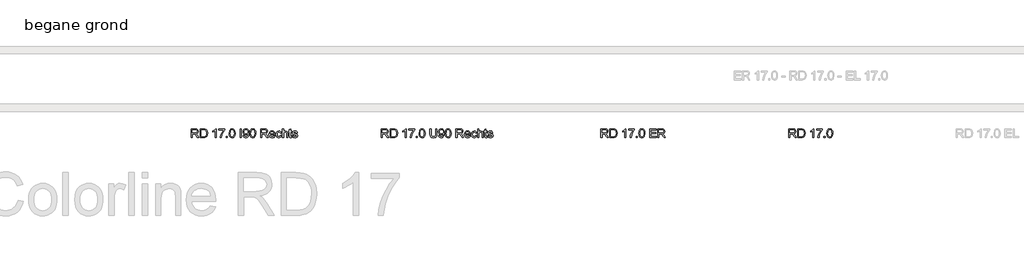
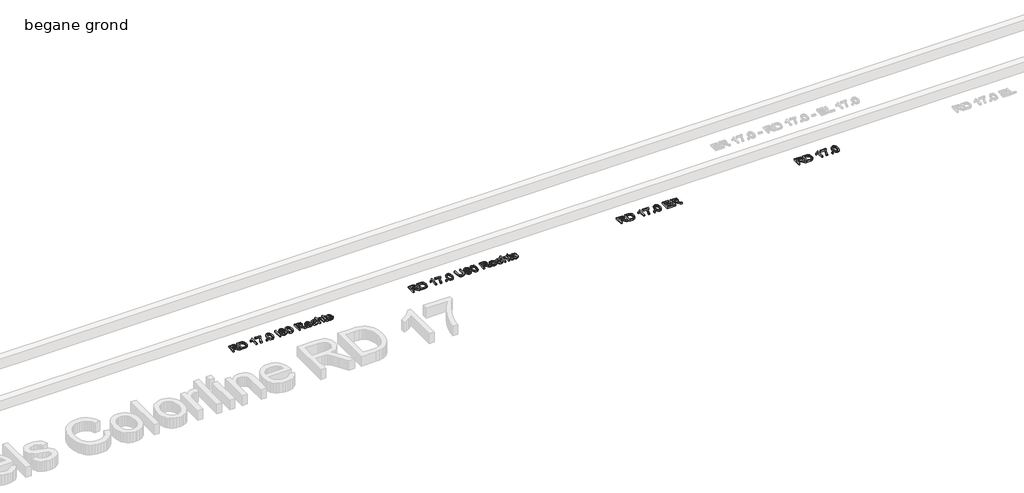
# One storey, part 3 of 4: 4 proxies.
"""IFC4 building model written with IfcOpenShell, lengths in millimetres."""

from ifc_helpers import new_model, si_unit, origin, origin_with_axes, place, context, project, spatial, polyline, outline, extrude, element, save

model = new_model("IFC4")

# Units and contexts
model_context = context("Model", 3, world=origin())
ifc_project = project(units=[si_unit("LENGTHUNIT", "METRE", prefix="MILLI")], contexts=[model_context])

# Site, building, storey
site = spatial("IfcSite", under=ifc_project)
building = spatial("IfcBuilding", under=site)
storey = spatial("IfcBuildingStorey", under=building, Name="begane grond", Elevation=0.0)

# Proxies
placement = place(None, origin())
element("IfcBuildingElementProxy", 1, Name="Generic Models", at=placement, inside=storey, context=model_context, shape_type="SweptSolid", body=[
    extrude(outline(polyline([(-311.0141013, 31657.4574186), (-311.0141013, 31780.5343417), (-257.9792456, 31780.5343417), (-233.3548465, 31777.2140292), (-219.8933081, 31765.4652311), (-214.8602552, 31746.8504474), (-216.9448405, 31734.7260484), (-223.1985965, 31724.6749667), (-233.8093237, 31717.3056758), (-248.9648225, 31713.2266494), (-240.2208321, 31706.6461205), (-227.7508802, 31690.810784), (-207.2280436, 31657.4574186), (-225.1066494, 31657.4574186), (-241.1222744, 31682.9682359), (-252.690784, 31699.8552551), (-260.8187888, 31707.8330195), (-268.1354956, 31710.762707), (-277.0597744, 31711.3035724), (-295.629486, 31711.3035724), (-295.629486, 31657.4574186), (-311.0141013, 31657.4574186)]), holes=[polyline([(-295.629486, 31726.6881878), (-261.1943898, 31726.6881878), (-243.6312888, 31728.8666734), (-233.6553273, 31735.8378272), (-230.2448706, 31746.279534), (-231.8712227, 31753.7840412), (-236.7502792, 31759.8312167), (-245.1449607, 31763.8200989), (-257.3181879, 31765.1497263), (-295.629486, 31765.1497263), (-295.629486, 31726.6881878)])]), origin_with_axes(), (0.0, 0.0, 1.0), 20.0),
    extrude(outline(polyline([(-187.9371783, 31657.4574186), (-187.9371783, 31780.5343417), (-145.4792456, 31780.5343417), (-123.5141013, 31778.7615051), (-105.425159, 31769.9574186), (-96.9140412, 31760.5824186), (-90.8518417, 31748.9237647), (-86.0141013, 31719.6569378), (-89.2893417, 31694.8222022), (-97.7028033, 31676.8985244), (-108.940784, 31665.7356638), (-123.6493177, 31659.560784), (-143.4359763, 31657.4574186), (-187.9371783, 31657.4574186)]), holes=[polyline([(-172.5525629, 31672.842034), (-145.3290052, 31672.842034), (-125.5273225, 31675.0655917), (-114.1090533, 31681.3456397), (-104.7490773, 31696.6250869), (-101.3987167, 31719.8973224), (-103.0400929, 31736.6641494), (-107.9642215, 31749.043957), (-115.2396122, 31757.5475628), (-123.9347744, 31762.685784), (-145.7496783, 31765.1497263), (-172.5525629, 31765.1497263), (-172.5525629, 31672.842034)])]), origin_with_axes(), (0.0, 0.0, 1.0), 20.0),
    extrude(outline(polyline([(35.1397448, 31657.4574186), (19.7551294, 31657.4574186), (19.7551294, 31753.3708801), (5.1818121, 31742.9892695), (-11.0141013, 31735.2218417), (-11.0141013, 31749.7651109), (11.5369804, 31764.1581397), (25.2238794, 31780.5343417), (35.1397448, 31780.5343417), (35.1397448, 31657.4574186)])), origin_with_axes(), (0.0, 0.0, 1.0), 20.0),
    extrude(outline(polyline([(71.6782064, 31763.2266494), (71.6782064, 31778.6112647), (152.4474371, 31778.6112647), (152.4474371, 31766.1713609), (129.5357785, 31733.0734042), (112.0027256, 31690.9009282), (106.293591, 31657.4574186), (90.9089756, 31657.4574186), (97.0237592, 31692.1629474), (113.8056102, 31731.3907119), (137.0628217, 31763.2266494), (71.6782064, 31763.2266494)])), origin_with_axes(), (0.0, 0.0, 1.0), 20.0),
    extrude(outline(polyline([(173.6012833, 31657.4574186), (173.6012833, 31672.842034), (188.9858987, 31672.842034), (188.9858987, 31657.4574186), (173.6012833, 31657.4574186)])), origin_with_axes(), (0.0, 0.0, 1.0), 20.0),
    extrude(outline(polyline([(213.9858987, 31718.0042936), (218.5081342, 31753.4159522), (224.1271246, 31765.3788429), (231.9396246, 31773.8336205), (242.0019744, 31778.8591614), (254.370514, 31780.5343417), (272.339264, 31776.5679955), (284.7491198, 31765.1347022), (291.9606583, 31746.9255676), (294.7551294, 31718.0042936), (290.277966, 31682.7428753), (284.6927797, 31670.7687167), (276.8915477, 31662.2801349), (266.8066619, 31657.22079), (254.370514, 31655.5343417), (238.3849371, 31658.4640292), (226.245514, 31667.2530917), (217.0508025, 31688.0688969), (213.9858987, 31718.0042936)]), holes=[polyline([(229.370514, 31718.0343417), (231.1733987, 31693.8343717), (236.5820525, 31679.8282119), (244.6349371, 31673.1462707), (254.370514, 31670.918957), (264.106091, 31673.1537828), (272.1589756, 31679.8582599), (277.5676294, 31693.8719318), (279.370514, 31718.0343417), (277.6277256, 31741.6896902), (272.3993602, 31755.8047744), (264.3614996, 31762.8134883), (254.1902256, 31765.1497263), (244.5598169, 31763.091433), (236.8224371, 31756.9165532), (231.2334948, 31741.9225628), (229.370514, 31718.0343417)])]), origin_with_axes(), (0.0, 0.0, 1.0), 20.0),
])
element("IfcBuildingElementProxy", 2, Name="Generic Models", at=placement, inside=storey, context=model_context, shape_type="SweptSolid", body=[
    extrude(outline(polyline([(-2908.129486, 31657.4574186), (-2908.129486, 31780.5343417), (-2855.0946302, 31780.5343417), (-2830.4702311, 31777.2140292), (-2817.0086927, 31765.4652311), (-2811.9756398, 31746.8504474), (-2814.0602251, 31734.7260484), (-2820.3139811, 31724.6749667), (-2830.9247083, 31717.3056758), (-2846.0802071, 31713.2266494), (-2837.3362167, 31706.6461205), (-2824.8662648, 31690.810784), (-2804.3434283, 31657.4574186), (-2822.222034, 31657.4574186), (-2838.237659, 31682.9682359), (-2849.8061686, 31699.8552551), (-2857.9341735, 31707.8330195), (-2865.2508802, 31710.762707), (-2874.175159, 31711.3035724), (-2892.7448706, 31711.3035724), (-2892.7448706, 31657.4574186), (-2908.129486, 31657.4574186)]), holes=[polyline([(-2892.7448706, 31726.6881878), (-2858.3097744, 31726.6881878), (-2840.7466735, 31728.8666734), (-2830.7707119, 31735.8378272), (-2827.3602552, 31746.279534), (-2828.9866073, 31753.7840412), (-2833.8656638, 31759.8312167), (-2842.2603453, 31763.8200989), (-2854.4335725, 31765.1497263), (-2892.7448706, 31765.1497263), (-2892.7448706, 31726.6881878)])]), origin_with_axes(), (0.0, 0.0, 1.0), 20.0),
    extrude(outline(polyline([(-2785.0525629, 31657.4574186), (-2785.0525629, 31780.5343417), (-2742.5946302, 31780.5343417), (-2720.629486, 31778.7615051), (-2702.5405436, 31769.9574186), (-2694.0294259, 31760.5824186), (-2687.9672263, 31748.9237647), (-2683.129486, 31719.6569378), (-2686.4047263, 31694.8222022), (-2694.8181879, 31676.8985244), (-2706.0561686, 31665.7356638), (-2720.7647023, 31659.560784), (-2740.551361, 31657.4574186), (-2785.0525629, 31657.4574186)]), holes=[polyline([(-2769.6679475, 31672.842034), (-2742.4443898, 31672.842034), (-2722.6427071, 31675.0655917), (-2711.2244379, 31681.3456397), (-2701.8644619, 31696.6250869), (-2698.5141013, 31719.8973224), (-2700.1554775, 31736.6641494), (-2705.0796061, 31749.043957), (-2712.3549968, 31757.5475628), (-2721.050159, 31762.685784), (-2742.8650629, 31765.1497263), (-2769.6679475, 31765.1497263), (-2769.6679475, 31672.842034)])]), origin_with_axes(), (0.0, 0.0, 1.0), 20.0),
    extrude(outline(polyline([(-2561.9756398, 31657.4574186), (-2577.3602552, 31657.4574186), (-2577.3602552, 31753.3708801), (-2591.9335725, 31742.9892695), (-2608.129486, 31735.2218417), (-2608.129486, 31749.7651109), (-2585.5784042, 31764.1581397), (-2571.8915052, 31780.5343417), (-2561.9756398, 31780.5343417), (-2561.9756398, 31657.4574186)])), origin_with_axes(), (0.0, 0.0, 1.0), 20.0),
    extrude(outline(polyline([(-2525.4371783, 31763.2266494), (-2525.4371783, 31778.6112647), (-2444.6679475, 31778.6112647), (-2444.6679475, 31766.1713609), (-2467.5796061, 31733.0734042), (-2485.112659, 31690.9009282), (-2490.8217936, 31657.4574186), (-2506.206409, 31657.4574186), (-2500.0916254, 31692.1629474), (-2483.3097744, 31731.3907119), (-2460.0525629, 31763.2266494), (-2525.4371783, 31763.2266494)])), origin_with_axes(), (0.0, 0.0, 1.0), 20.0),
    extrude(outline(polyline([(-2423.5141013, 31657.4574186), (-2423.5141013, 31672.842034), (-2408.129486, 31672.842034), (-2408.129486, 31657.4574186), (-2423.5141013, 31657.4574186)])), origin_with_axes(), (0.0, 0.0, 1.0), 20.0),
    extrude(outline(polyline([(-2383.129486, 31718.0042936), (-2378.6072504, 31753.4159522), (-2372.98826, 31765.3788429), (-2365.17576, 31773.8336205), (-2355.1134102, 31778.8591614), (-2342.7448706, 31780.5343417), (-2324.7761206, 31776.5679955), (-2312.3662648, 31765.1347022), (-2305.1547263, 31746.9255676), (-2302.3602552, 31718.0042936), (-2306.8374186, 31682.7428753), (-2312.4226049, 31670.7687167), (-2320.2238369, 31662.2801349), (-2330.3087227, 31657.22079), (-2342.7448706, 31655.5343417), (-2358.7304475, 31658.4640292), (-2370.8698706, 31667.2530917), (-2380.0645821, 31688.0688969), (-2383.129486, 31718.0042936)]), holes=[polyline([(-2367.7448706, 31718.0343417), (-2365.941986, 31693.8343717), (-2360.5333321, 31679.8282119), (-2352.4804475, 31673.1462707), (-2342.7448706, 31670.918957), (-2333.0092936, 31673.1537828), (-2324.956409, 31679.8582599), (-2319.5477552, 31693.8719318), (-2317.7448706, 31718.0343417), (-2319.487659, 31741.6896902), (-2324.7160244, 31755.8047744), (-2332.753885, 31762.8134883), (-2342.925159, 31765.1497263), (-2352.5555677, 31763.091433), (-2360.2929475, 31756.9165532), (-2365.8818898, 31741.9225628), (-2367.7448706, 31718.0343417)])]), origin_with_axes(), (0.0, 0.0, 1.0), 20.0),
    extrude(outline(polyline([(-2235.0525629, 31657.4574186), (-2235.0525629, 31780.5343417), (-2146.5910244, 31780.5343417), (-2146.5910244, 31765.1497263), (-2219.6679475, 31765.1497263), (-2219.6679475, 31728.6112647), (-2150.4371783, 31728.6112647), (-2150.4371783, 31713.2266494), (-2219.6679475, 31713.2266494), (-2219.6679475, 31672.842034), (-2144.6679475, 31672.842034), (-2144.6679475, 31657.4574186), (-2235.0525629, 31657.4574186)])), origin_with_axes(), (0.0, 0.0, 1.0), 20.0),
    extrude(outline(polyline([(-2121.5910244, 31657.4574186), (-2121.5910244, 31780.5343417), (-2068.5561686, 31780.5343417), (-2043.9317696, 31777.2140292), (-2030.4702311, 31765.4652311), (-2025.4371783, 31746.8504474), (-2027.5217636, 31734.7260484), (-2033.7755196, 31724.6749667), (-2044.3862468, 31717.3056758), (-2059.5417456, 31713.2266494), (-2050.7977552, 31706.6461205), (-2038.3278033, 31690.810784), (-2017.8049667, 31657.4574186), (-2035.6835725, 31657.4574186), (-2051.6991975, 31682.9682359), (-2063.2677071, 31699.8552551), (-2071.3957119, 31707.8330195), (-2078.7124186, 31710.762707), (-2087.6366975, 31711.3035724), (-2106.206409, 31711.3035724), (-2106.206409, 31657.4574186), (-2121.5910244, 31657.4574186)]), holes=[polyline([(-2106.206409, 31726.6881878), (-2071.7713129, 31726.6881878), (-2054.2082119, 31728.8666734), (-2044.2322504, 31735.8378272), (-2040.8217936, 31746.279534), (-2042.4481458, 31753.7840412), (-2047.3272023, 31759.8312167), (-2055.7218838, 31763.8200989), (-2067.895111, 31765.1497263), (-2106.206409, 31765.1497263), (-2106.206409, 31726.6881878)])]), origin_with_axes(), (0.0, 0.0, 1.0), 20.0),
])
element("IfcBuildingElementProxy", 3, Name="Generic Models", at=placement, inside=storey, context=model_context, shape_type="SweptSolid", body=[
    extrude(outline(polyline([(-5943.8987167, 31657.4574186), (-5943.8987167, 31780.5343417), (-5890.863861, 31780.5343417), (-5866.2394619, 31777.2140292), (-5852.7779235, 31765.4652311), (-5847.7448706, 31746.8504474), (-5849.8294559, 31734.7260484), (-5856.0832119, 31724.6749667), (-5866.6939391, 31717.3056758), (-5881.8494379, 31713.2266494), (-5873.1054475, 31706.6461205), (-5860.6354956, 31690.810784), (-5840.112659, 31657.4574186), (-5857.9912648, 31657.4574186), (-5874.0068898, 31682.9682359), (-5885.5753994, 31699.8552551), (-5893.7034042, 31707.8330195), (-5901.020111, 31710.762707), (-5909.9443898, 31711.3035724), (-5928.5141013, 31711.3035724), (-5928.5141013, 31657.4574186), (-5943.8987167, 31657.4574186)]), holes=[polyline([(-5928.5141013, 31726.6881878), (-5894.0790052, 31726.6881878), (-5876.5159042, 31728.8666734), (-5866.5399427, 31735.8378272), (-5863.129486, 31746.279534), (-5864.7558381, 31753.7840412), (-5869.6348946, 31759.8312167), (-5878.0295761, 31763.8200989), (-5890.2028033, 31765.1497263), (-5928.5141013, 31765.1497263), (-5928.5141013, 31726.6881878)])]), origin_with_axes(), (0.0, 0.0, 1.0), 20.0),
    extrude(outline(polyline([(-5820.8217936, 31657.4574186), (-5820.8217936, 31780.5343417), (-5778.363861, 31780.5343417), (-5756.3987167, 31778.7615051), (-5738.3097744, 31769.9574186), (-5729.7986566, 31760.5824186), (-5723.7364571, 31748.9237647), (-5718.8987167, 31719.6569378), (-5722.1739571, 31694.8222022), (-5730.5874186, 31676.8985244), (-5741.8253994, 31665.7356638), (-5756.5339331, 31659.560784), (-5776.3205917, 31657.4574186), (-5820.8217936, 31657.4574186)]), holes=[polyline([(-5805.4371783, 31672.842034), (-5778.2136206, 31672.842034), (-5758.4119379, 31675.0655917), (-5746.9936686, 31681.3456397), (-5737.6336927, 31696.6250869), (-5734.2833321, 31719.8973224), (-5735.9247083, 31736.6641494), (-5740.8488369, 31749.043957), (-5748.1242275, 31757.5475628), (-5756.8193898, 31762.685784), (-5778.6342936, 31765.1497263), (-5805.4371783, 31765.1497263), (-5805.4371783, 31672.842034)])]), origin_with_axes(), (0.0, 0.0, 1.0), 20.0),
    extrude(outline(polyline([(-5597.7448706, 31657.4574186), (-5613.129486, 31657.4574186), (-5613.129486, 31753.3708801), (-5627.7028033, 31742.9892695), (-5643.8987167, 31735.2218417), (-5643.8987167, 31749.7651109), (-5621.347635, 31764.1581397), (-5607.660736, 31780.5343417), (-5597.7448706, 31780.5343417), (-5597.7448706, 31657.4574186)])), origin_with_axes(), (0.0, 0.0, 1.0), 20.0),
    extrude(outline(polyline([(-5561.206409, 31763.2266494), (-5561.206409, 31778.6112647), (-5480.4371783, 31778.6112647), (-5480.4371783, 31766.1713609), (-5503.3488369, 31733.0734042), (-5520.8818898, 31690.9009282), (-5526.5910244, 31657.4574186), (-5541.9756398, 31657.4574186), (-5535.8608561, 31692.1629474), (-5519.0790052, 31731.3907119), (-5495.8217936, 31763.2266494), (-5561.206409, 31763.2266494)])), origin_with_axes(), (0.0, 0.0, 1.0), 20.0),
    extrude(outline(polyline([(-5459.2833321, 31657.4574186), (-5459.2833321, 31672.842034), (-5443.8987167, 31672.842034), (-5443.8987167, 31657.4574186), (-5459.2833321, 31657.4574186)])), origin_with_axes(), (0.0, 0.0, 1.0), 20.0),
    extrude(outline(polyline([(-5418.8987167, 31718.0042936), (-5414.3764811, 31753.4159522), (-5408.7574908, 31765.3788429), (-5400.9449908, 31773.8336205), (-5390.882641, 31778.8591614), (-5378.5141013, 31780.5343417), (-5360.5453513, 31776.5679955), (-5348.1354956, 31765.1347022), (-5340.9239571, 31746.9255676), (-5338.129486, 31718.0042936), (-5342.6066494, 31682.7428753), (-5348.1918357, 31670.7687167), (-5355.9930677, 31662.2801349), (-5366.0779535, 31657.22079), (-5378.5141013, 31655.5343417), (-5394.4996783, 31658.4640292), (-5406.6391013, 31667.2530917), (-5415.8338129, 31688.0688969), (-5418.8987167, 31718.0042936)]), holes=[polyline([(-5403.5141013, 31718.0343417), (-5401.7112167, 31693.8343717), (-5396.3025629, 31679.8282119), (-5388.2496783, 31673.1462707), (-5378.5141013, 31670.918957), (-5368.7785244, 31673.1537828), (-5360.7256398, 31679.8582599), (-5355.316986, 31693.8719318), (-5353.5141013, 31718.0343417), (-5355.2568898, 31741.6896902), (-5360.4852552, 31755.8047744), (-5368.5231158, 31762.8134883), (-5378.6943898, 31765.1497263), (-5388.3247985, 31763.091433), (-5396.0621783, 31756.9165532), (-5401.6511206, 31741.9225628), (-5403.5141013, 31718.0343417)])]), origin_with_axes(), (0.0, 0.0, 1.0), 20.0),
    extrude(outline(polyline([(-5190.0525629, 31780.5343417), (-5174.6679475, 31780.5343417), (-5174.6679475, 31709.5307359), (-5178.8446302, 31680.0986445), (-5184.6964932, 31670.2203393), (-5193.8987167, 31662.3702792), (-5206.4738369, 31657.243326), (-5222.4443898, 31655.5343417), (-5238.0656338, 31657.0217215), (-5250.5543658, 31661.4838609), (-5259.9143417, 31668.7667635), (-5266.1493177, 31678.716433), (-5270.8217936, 31709.5307359), (-5270.8217936, 31780.5343417), (-5255.4371783, 31780.5343417), (-5255.4371783, 31710.0716013), (-5252.4023225, 31686.6190772), (-5241.9756398, 31675.0054955), (-5223.8866975, 31670.918957), (-5208.2391614, 31672.9396902), (-5197.8350148, 31679.0018897), (-5191.9981759, 31690.810784), (-5190.0525629, 31710.0716013), (-5190.0525629, 31780.5343417)])), origin_with_axes(), (0.0, 0.0, 1.0), 20.0),
    extrude(outline(polyline([(-5151.5910244, 31688.2266494), (-5136.206409, 31690.1497263), (-5129.2953513, 31675.4712407), (-5116.1943898, 31670.918957), (-5103.7394619, 31673.8486445), (-5095.2959523, 31681.6761686), (-5090.2628994, 31695.0475628), (-5088.0393417, 31712.8961205), (-5088.129486, 31715.9009282), (-5100.4341735, 31704.2422744), (-5117.3061686, 31699.7651109), (-5131.3348646, 31702.4994859), (-5143.0122985, 31710.7026109), (-5150.8886506, 31723.3753873), (-5153.5141013, 31739.5187167), (-5150.7609463, 31756.1953994), (-5142.5014811, 31769.2663128), (-5130.0953814, 31777.7173344), (-5114.9023225, 31780.5343417), (-5103.4277131, 31778.9267695), (-5092.9822504, 31774.1040532), (-5084.245772, 31766.3065772), (-5077.8981158, 31755.7747263), (-5074.0331819, 31741.216433), (-5072.7448706, 31721.3396301), (-5074.0294259, 31700.2646602), (-5077.8830917, 31683.9748465), (-5084.2720641, 31671.7340111), (-5093.1625388, 31662.8059763), (-5104.171403, 31657.3522503), (-5116.9155436, 31655.5343417), (-5130.0690893, 31657.6790232), (-5140.5633802, 31664.1130676), (-5147.902623, 31674.430826), (-5151.5910244, 31688.2266494)]), holes=[polyline([(-5088.129486, 31739.8792936), (-5089.7896422, 31750.3059763), (-5094.770111, 31758.3288128), (-5102.4999787, 31763.4444979), (-5112.4083321, 31765.1497263), (-5122.6847744, 31763.3130376), (-5130.9179475, 31757.8029715), (-5136.3266013, 31749.3707299), (-5138.129486, 31738.7675147), (-5136.4242576, 31729.2610544), (-5131.3085725, 31721.7152311), (-5123.2782239, 31716.7911025), (-5112.8290052, 31715.1497263), (-5102.999528, 31716.7911025), (-5095.0856158, 31721.7152311), (-5089.8685184, 31729.5389991), (-5088.129486, 31739.8792936)])]), origin_with_axes(), (0.0, 0.0, 1.0), 20.0),
    extrude(outline(polyline([(-5059.2833321, 31718.0042936), (-5054.7610965, 31753.4159522), (-5049.1421061, 31765.3788429), (-5041.3296061, 31773.8336205), (-5031.2672564, 31778.8591614), (-5018.8987167, 31780.5343417), (-5000.9299667, 31776.5679955), (-4988.520111, 31765.1347022), (-4981.3085725, 31746.9255676), (-4978.5141013, 31718.0042936), (-4982.9912648, 31682.7428753), (-4988.5764511, 31670.7687167), (-4996.3776831, 31662.2801349), (-5006.4625689, 31657.22079), (-5018.8987167, 31655.5343417), (-5034.8842936, 31658.4640292), (-5047.0237167, 31667.2530917), (-5056.2184283, 31688.0688969), (-5059.2833321, 31718.0042936)]), holes=[polyline([(-5043.8987167, 31718.0343417), (-5042.0958321, 31693.8343717), (-5036.6871783, 31679.8282119), (-5028.6342936, 31673.1462707), (-5018.8987167, 31670.918957), (-5009.1631398, 31673.1537828), (-5001.1102552, 31679.8582599), (-4995.7016013, 31693.8719318), (-4993.8987167, 31718.0343417), (-4995.6415052, 31741.6896902), (-5000.8698706, 31755.8047744), (-5008.9077311, 31762.8134883), (-5019.0790052, 31765.1497263), (-5028.7094138, 31763.091433), (-5036.4467936, 31756.9165532), (-5042.035736, 31741.9225628), (-5043.8987167, 31718.0343417)])]), origin_with_axes(), (0.0, 0.0, 1.0), 20.0),
    extrude(outline(polyline([(-4911.206409, 31657.4574186), (-4911.206409, 31780.5343417), (-4858.1715533, 31780.5343417), (-4833.5471542, 31777.2140292), (-4820.0856158, 31765.4652311), (-4815.0525629, 31746.8504474), (-4817.1371482, 31734.7260484), (-4823.3909042, 31724.6749667), (-4834.0016314, 31717.3056758), (-4849.1571302, 31713.2266494), (-4840.4131398, 31706.6461205), (-4827.9431879, 31690.810784), (-4807.4203513, 31657.4574186), (-4825.2989571, 31657.4574186), (-4841.3145821, 31682.9682359), (-4852.8830917, 31699.8552551), (-4861.0110965, 31707.8330195), (-4868.3278033, 31710.762707), (-4877.2520821, 31711.3035724), (-4895.8217936, 31711.3035724), (-4895.8217936, 31657.4574186), (-4911.206409, 31657.4574186)]), holes=[polyline([(-4895.8217936, 31726.6881878), (-4861.3866975, 31726.6881878), (-4843.8235965, 31728.8666734), (-4833.847635, 31735.8378272), (-4830.4371783, 31746.279534), (-4832.0635304, 31753.7840412), (-4836.9425869, 31759.8312167), (-4845.3372684, 31763.8200989), (-4857.5104956, 31765.1497263), (-4895.8217936, 31765.1497263), (-4895.8217936, 31726.6881878)])]), origin_with_axes(), (0.0, 0.0, 1.0), 20.0),
    extrude(outline(polyline([(-4726.7713129, 31684.3804955), (-4711.6871783, 31682.4574186), (-4717.1221242, 31671.0917335), (-4725.7947504, 31662.5956397), (-4737.5097444, 31657.2996662), (-4752.0717936, 31655.5343417), (-4770.1231759, 31658.5804655), (-4784.0128994, 31667.7188369), (-4792.8695701, 31682.3560063), (-4795.8217936, 31701.8985244), (-4792.839522, 31722.0983441), (-4783.8927071, 31737.2050147), (-4770.190784, 31746.6250869), (-4752.9431879, 31749.7651109), (-4736.2327011, 31746.6325989), (-4722.8800869, 31737.2350628), (-4714.1248285, 31722.1584402), (-4711.206409, 31701.9886686), (-4711.2965533, 31697.842034), (-4780.4371783, 31697.842034), (-4777.7741674, 31686.3261085), (-4771.5880196, 31677.8600628), (-4762.6599847, 31672.6542335), (-4751.7713129, 31670.918957), (-4736.6871783, 31674.1341013), (-4726.7713129, 31684.3804955)]), holes=[polyline([(-4780.4371783, 31713.2266494), (-4726.5910244, 31713.2266494), (-4732.7508802, 31727.168957), (-4741.7202311, 31732.5776109), (-4753.003284, 31734.3804955), (-4763.3736266, 31732.9419438), (-4771.9485965, 31728.6262888), (-4777.9093838, 31721.8992756), (-4780.4371783, 31713.2266494)])]), origin_with_axes(), (0.0, 0.0, 1.0), 20.0),
    extrude(outline(polyline([(-4638.129486, 31690.1497263), (-4622.7448706, 31688.2266494), (-4627.0342335, 31674.5435063), (-4635.0946302, 31664.2032119), (-4646.1673465, 31657.7015592), (-4659.4936686, 31655.5343417), (-4675.8586025, 31658.5579294), (-4688.6553273, 31667.6286926), (-4696.9147924, 31682.3484943), (-4699.6679475, 31702.3191974), (-4694.9654235, 31727.8750869), (-4689.0309283, 31737.4566674), (-4680.6324908, 31744.2963609), (-4659.7040052, 31749.7651109), (-4646.7044559, 31747.8871061), (-4636.3115773, 31742.2530917), (-4628.8558982, 31733.1635484), (-4624.6679475, 31720.918957), (-4640.0525629, 31718.9958801), (-4647.1889811, 31730.5193176), (-4659.5838129, 31734.3804955), (-4669.5259703, 31732.4799546), (-4677.4173465, 31726.778332), (-4682.5668357, 31716.9676349), (-4684.2833321, 31702.7398705), (-4682.6043958, 31688.3205496), (-4677.5675869, 31678.4760484), (-4669.8189391, 31672.8082299), (-4660.004486, 31670.918957), (-4645.5062888, 31675.6365051), (-4638.129486, 31690.1497263)])), origin_with_axes(), (0.0, 0.0, 1.0), 20.0),
    extrude(outline(polyline([(-4609.2833321, 31657.4574186), (-4609.2833321, 31780.5343417), (-4593.8987167, 31780.5343417), (-4593.8987167, 31735.2819378), (-4581.902022, 31746.1443176), (-4567.1258802, 31749.7651109), (-4549.848236, 31745.8137888), (-4539.3614571, 31734.8913128), (-4536.206409, 31714.668957), (-4536.206409, 31657.4574186), (-4551.5910244, 31657.4574186), (-4551.5910244, 31713.076409), (-4552.8154835, 31722.7068176), (-4556.488861, 31729.3023705), (-4570.3710725, 31734.3804955), (-4582.9762408, 31730.9550147), (-4591.3897023, 31721.670159), (-4593.8987167, 31705.4742455), (-4593.8987167, 31657.4574186), (-4609.2833321, 31657.4574186)])), origin_with_axes(), (0.0, 0.0, 1.0), 20.0),
    extrude(outline(polyline([(-4482.3602552, 31670.2879474), (-4480.4371783, 31657.0066974), (-4491.9455917, 31655.5343417), (-4504.8362167, 31658.0884282), (-4511.2665052, 31664.7891494), (-4513.129486, 31682.247082), (-4513.129486, 31732.4574186), (-4524.6679475, 31732.4574186), (-4524.6679475, 31747.842034), (-4513.129486, 31747.842034), (-4513.129486, 31769.8071782), (-4497.7448706, 31778.8516494), (-4497.7448706, 31747.842034), (-4482.3602552, 31747.842034), (-4482.3602552, 31732.4574186), (-4497.7448706, 31732.4574186), (-4497.7448706, 31682.6978032), (-4496.9335725, 31674.7651109), (-4494.3043658, 31671.9556157), (-4489.0609763, 31670.918957), (-4482.3602552, 31670.2879474)])), origin_with_axes(), (0.0, 0.0, 1.0), 20.0),
    extrude(outline(polyline([(-4472.7448706, 31684.3804955), (-4457.3602552, 31686.3035724), (-4450.238861, 31674.8853032), (-4433.9227552, 31670.918957), (-4418.237659, 31674.5547744), (-4413.129486, 31683.0884282), (-4418.2677071, 31689.9994859), (-4434.1030436, 31694.3865051), (-4457.270111, 31701.9135484), (-4467.3812888, 31710.7026109), (-4470.8217936, 31723.1124667), (-4468.0573706, 31734.575808), (-4460.5153033, 31743.3348224), (-4450.7346542, 31747.8871061), (-4437.4984763, 31749.7651109), (-4418.7785244, 31746.7452792), (-4406.879486, 31738.5722022), (-4401.5910244, 31724.7651109), (-4416.9756398, 31722.842034), (-4422.7598946, 31731.3306157), (-4436.2965533, 31734.3804955), (-4451.020111, 31731.465832), (-4455.4371783, 31724.6749667), (-4453.6042456, 31720.1978032), (-4447.8650629, 31716.8023705), (-4434.613861, 31713.5271301), (-4412.0327311, 31706.2855436), (-4401.5459523, 31698.0824186), (-4397.7448706, 31684.7110244), (-4402.20701, 31669.9874667), (-4415.082611, 31659.3053753), (-4434.1330917, 31655.5343417), (-4449.6454114, 31657.3522503), (-4460.9660244, 31662.8059763), (-4468.5231158, 31671.8354234), (-4472.7448706, 31684.3804955)])), origin_with_axes(), (0.0, 0.0, 1.0), 20.0),
])
element("IfcBuildingElementProxy", 4, Name="Generic Models", at=placement, inside=storey, context=model_context, shape_type="SweptSolid", body=[
    extrude(outline(polyline([(-8568.8987167, 31657.4574186), (-8568.8987167, 31780.5343417), (-8515.863861, 31780.5343417), (-8491.2394619, 31777.2140292), (-8477.7779235, 31765.4652311), (-8472.7448706, 31746.8504474), (-8474.8294559, 31734.7260484), (-8481.0832119, 31724.6749667), (-8491.6939391, 31717.3056758), (-8506.8494379, 31713.2266494), (-8498.1054475, 31706.6461205), (-8485.6354956, 31690.810784), (-8465.112659, 31657.4574186), (-8482.9912648, 31657.4574186), (-8499.0068898, 31682.9682359), (-8510.5753994, 31699.8552551), (-8518.7034042, 31707.8330195), (-8526.020111, 31710.762707), (-8534.9443898, 31711.3035724), (-8553.5141013, 31711.3035724), (-8553.5141013, 31657.4574186), (-8568.8987167, 31657.4574186)]), holes=[polyline([(-8553.5141013, 31726.6881878), (-8519.0790052, 31726.6881878), (-8501.5159042, 31728.8666734), (-8491.5399427, 31735.8378272), (-8488.129486, 31746.279534), (-8489.7558381, 31753.7840412), (-8494.6348946, 31759.8312167), (-8503.0295761, 31763.8200989), (-8515.2028033, 31765.1497263), (-8553.5141013, 31765.1497263), (-8553.5141013, 31726.6881878)])]), origin_with_axes(), (0.0, 0.0, 1.0), 20.0),
    extrude(outline(polyline([(-8445.8217936, 31657.4574186), (-8445.8217936, 31780.5343417), (-8403.363861, 31780.5343417), (-8381.3987167, 31778.7615051), (-8363.3097744, 31769.9574186), (-8354.7986566, 31760.5824186), (-8348.7364571, 31748.9237647), (-8343.8987167, 31719.6569378), (-8347.1739571, 31694.8222022), (-8355.5874186, 31676.8985244), (-8366.8253994, 31665.7356638), (-8381.5339331, 31659.560784), (-8401.3205917, 31657.4574186), (-8445.8217936, 31657.4574186)]), holes=[polyline([(-8430.4371783, 31672.842034), (-8403.2136206, 31672.842034), (-8383.4119379, 31675.0655917), (-8371.9936686, 31681.3456397), (-8362.6336927, 31696.6250869), (-8359.2833321, 31719.8973224), (-8360.9247083, 31736.6641494), (-8365.8488369, 31749.043957), (-8373.1242275, 31757.5475628), (-8381.8193898, 31762.685784), (-8403.6342936, 31765.1497263), (-8430.4371783, 31765.1497263), (-8430.4371783, 31672.842034)])]), origin_with_axes(), (0.0, 0.0, 1.0), 20.0),
    extrude(outline(polyline([(-8222.7448706, 31657.4574186), (-8238.129486, 31657.4574186), (-8238.129486, 31753.3708801), (-8252.7028033, 31742.9892695), (-8268.8987167, 31735.2218417), (-8268.8987167, 31749.7651109), (-8246.347635, 31764.1581397), (-8232.660736, 31780.5343417), (-8222.7448706, 31780.5343417), (-8222.7448706, 31657.4574186)])), origin_with_axes(), (0.0, 0.0, 1.0), 20.0),
    extrude(outline(polyline([(-8186.206409, 31763.2266494), (-8186.206409, 31778.6112647), (-8105.4371783, 31778.6112647), (-8105.4371783, 31766.1713609), (-8128.3488369, 31733.0734042), (-8145.8818898, 31690.9009282), (-8151.5910244, 31657.4574186), (-8166.9756398, 31657.4574186), (-8160.8608561, 31692.1629474), (-8144.0790052, 31731.3907119), (-8120.8217936, 31763.2266494), (-8186.206409, 31763.2266494)])), origin_with_axes(), (0.0, 0.0, 1.0), 20.0),
    extrude(outline(polyline([(-8084.2833321, 31657.4574186), (-8084.2833321, 31672.842034), (-8068.8987167, 31672.842034), (-8068.8987167, 31657.4574186), (-8084.2833321, 31657.4574186)])), origin_with_axes(), (0.0, 0.0, 1.0), 20.0),
    extrude(outline(polyline([(-8043.8987167, 31718.0042936), (-8039.3764811, 31753.4159522), (-8033.7574908, 31765.3788429), (-8025.9449908, 31773.8336205), (-8015.882641, 31778.8591614), (-8003.5141013, 31780.5343417), (-7985.5453513, 31776.5679955), (-7973.1354956, 31765.1347022), (-7965.9239571, 31746.9255676), (-7963.129486, 31718.0042936), (-7967.6066494, 31682.7428753), (-7973.1918357, 31670.7687167), (-7980.9930677, 31662.2801349), (-7991.0779535, 31657.22079), (-8003.5141013, 31655.5343417), (-8019.4996783, 31658.4640292), (-8031.6391013, 31667.2530917), (-8040.8338129, 31688.0688969), (-8043.8987167, 31718.0042936)]), holes=[polyline([(-8028.5141013, 31718.0343417), (-8026.7112167, 31693.8343717), (-8021.3025629, 31679.8282119), (-8013.2496783, 31673.1462707), (-8003.5141013, 31670.918957), (-7993.7785244, 31673.1537828), (-7985.7256398, 31679.8582599), (-7980.316986, 31693.8719318), (-7978.5141013, 31718.0343417), (-7980.2568898, 31741.6896902), (-7985.4852552, 31755.8047744), (-7993.5231158, 31762.8134883), (-8003.6943898, 31765.1497263), (-8013.3247985, 31763.091433), (-8021.0621783, 31756.9165532), (-8026.6511206, 31741.9225628), (-8028.5141013, 31718.0343417)])]), origin_with_axes(), (0.0, 0.0, 1.0), 20.0),
    extrude(outline(polyline([(-7893.8987167, 31657.4574186), (-7893.8987167, 31780.5343417), (-7878.5141013, 31780.5343417), (-7878.5141013, 31657.4574186), (-7893.8987167, 31657.4574186)])), origin_with_axes(), (0.0, 0.0, 1.0), 20.0),
    extrude(outline(polyline([(-7851.5910244, 31688.2266494), (-7836.206409, 31690.1497263), (-7829.2953513, 31675.4712407), (-7816.1943898, 31670.918957), (-7803.7394619, 31673.8486445), (-7795.2959523, 31681.6761686), (-7790.2628994, 31695.0475628), (-7788.0393417, 31712.8961205), (-7788.129486, 31715.9009282), (-7800.4341735, 31704.2422744), (-7817.3061686, 31699.7651109), (-7831.3348646, 31702.4994859), (-7843.0122985, 31710.7026109), (-7850.8886506, 31723.3753873), (-7853.5141013, 31739.5187167), (-7850.7609463, 31756.1953994), (-7842.5014811, 31769.2663128), (-7830.0953814, 31777.7173344), (-7814.9023225, 31780.5343417), (-7803.4277131, 31778.9267695), (-7792.9822504, 31774.1040532), (-7784.245772, 31766.3065772), (-7777.8981158, 31755.7747263), (-7774.0331819, 31741.216433), (-7772.7448706, 31721.3396301), (-7774.0294259, 31700.2646602), (-7777.8830917, 31683.9748465), (-7784.2720641, 31671.7340111), (-7793.1625388, 31662.8059763), (-7804.171403, 31657.3522503), (-7816.9155436, 31655.5343417), (-7830.0690893, 31657.6790232), (-7840.5633802, 31664.1130676), (-7847.902623, 31674.430826), (-7851.5910244, 31688.2266494)]), holes=[polyline([(-7788.129486, 31739.8792936), (-7789.7896422, 31750.3059763), (-7794.770111, 31758.3288128), (-7802.4999787, 31763.4444979), (-7812.4083321, 31765.1497263), (-7822.6847744, 31763.3130376), (-7830.9179475, 31757.8029715), (-7836.3266013, 31749.3707299), (-7838.129486, 31738.7675147), (-7836.4242576, 31729.2610544), (-7831.3085725, 31721.7152311), (-7823.2782239, 31716.7911025), (-7812.8290052, 31715.1497263), (-7802.999528, 31716.7911025), (-7795.0856158, 31721.7152311), (-7789.8685184, 31729.5389991), (-7788.129486, 31739.8792936)])]), origin_with_axes(), (0.0, 0.0, 1.0), 20.0),
    extrude(outline(polyline([(-7759.2833321, 31718.0042936), (-7754.7610965, 31753.4159522), (-7749.1421061, 31765.3788429), (-7741.3296061, 31773.8336205), (-7731.2672564, 31778.8591614), (-7718.8987167, 31780.5343417), (-7700.9299667, 31776.5679955), (-7688.520111, 31765.1347022), (-7681.3085725, 31746.9255676), (-7678.5141013, 31718.0042936), (-7682.9912648, 31682.7428753), (-7688.5764511, 31670.7687167), (-7696.3776831, 31662.2801349), (-7706.4625689, 31657.22079), (-7718.8987167, 31655.5343417), (-7734.8842936, 31658.4640292), (-7747.0237167, 31667.2530917), (-7756.2184283, 31688.0688969), (-7759.2833321, 31718.0042936)]), holes=[polyline([(-7743.8987167, 31718.0343417), (-7742.0958321, 31693.8343717), (-7736.6871783, 31679.8282119), (-7728.6342936, 31673.1462707), (-7718.8987167, 31670.918957), (-7709.1631398, 31673.1537828), (-7701.1102552, 31679.8582599), (-7695.7016013, 31693.8719318), (-7693.8987167, 31718.0343417), (-7695.6415052, 31741.6896902), (-7700.8698706, 31755.8047744), (-7708.9077311, 31762.8134883), (-7719.0790052, 31765.1497263), (-7728.7094138, 31763.091433), (-7736.4467936, 31756.9165532), (-7742.035736, 31741.9225628), (-7743.8987167, 31718.0343417)])]), origin_with_axes(), (0.0, 0.0, 1.0), 20.0),
    extrude(outline(polyline([(-7611.206409, 31657.4574186), (-7611.206409, 31780.5343417), (-7558.1715533, 31780.5343417), (-7533.5471542, 31777.2140292), (-7520.0856158, 31765.4652311), (-7515.0525629, 31746.8504474), (-7517.1371482, 31734.7260484), (-7523.3909042, 31724.6749667), (-7534.0016314, 31717.3056758), (-7549.1571302, 31713.2266494), (-7540.4131398, 31706.6461205), (-7527.9431879, 31690.810784), (-7507.4203513, 31657.4574186), (-7525.2989571, 31657.4574186), (-7541.3145821, 31682.9682359), (-7552.8830917, 31699.8552551), (-7561.0110965, 31707.8330195), (-7568.3278033, 31710.762707), (-7577.2520821, 31711.3035724), (-7595.8217936, 31711.3035724), (-7595.8217936, 31657.4574186), (-7611.206409, 31657.4574186)]), holes=[polyline([(-7595.8217936, 31726.6881878), (-7561.3866975, 31726.6881878), (-7543.8235965, 31728.8666734), (-7533.847635, 31735.8378272), (-7530.4371783, 31746.279534), (-7532.0635304, 31753.7840412), (-7536.9425869, 31759.8312167), (-7545.3372684, 31763.8200989), (-7557.5104956, 31765.1497263), (-7595.8217936, 31765.1497263), (-7595.8217936, 31726.6881878)])]), origin_with_axes(), (0.0, 0.0, 1.0), 20.0),
    extrude(outline(polyline([(-7426.7713129, 31684.3804955), (-7411.6871783, 31682.4574186), (-7417.1221242, 31671.0917335), (-7425.7947504, 31662.5956397), (-7437.5097444, 31657.2996662), (-7452.0717936, 31655.5343417), (-7470.1231759, 31658.5804655), (-7484.0128994, 31667.7188369), (-7492.8695701, 31682.3560063), (-7495.8217936, 31701.8985244), (-7492.839522, 31722.0983441), (-7483.8927071, 31737.2050147), (-7470.190784, 31746.6250869), (-7452.9431879, 31749.7651109), (-7436.2327011, 31746.6325989), (-7422.8800869, 31737.2350628), (-7414.1248285, 31722.1584402), (-7411.206409, 31701.9886686), (-7411.2965533, 31697.842034), (-7480.4371783, 31697.842034), (-7477.7741674, 31686.3261085), (-7471.5880196, 31677.8600628), (-7462.6599847, 31672.6542335), (-7451.7713129, 31670.918957), (-7436.6871783, 31674.1341013), (-7426.7713129, 31684.3804955)]), holes=[polyline([(-7480.4371783, 31713.2266494), (-7426.5910244, 31713.2266494), (-7432.7508802, 31727.168957), (-7441.7202311, 31732.5776109), (-7453.003284, 31734.3804955), (-7463.3736266, 31732.9419438), (-7471.9485965, 31728.6262888), (-7477.9093838, 31721.8992756), (-7480.4371783, 31713.2266494)])]), origin_with_axes(), (0.0, 0.0, 1.0), 20.0),
    extrude(outline(polyline([(-7338.129486, 31690.1497263), (-7322.7448706, 31688.2266494), (-7327.0342335, 31674.5435063), (-7335.0946302, 31664.2032119), (-7346.1673465, 31657.7015592), (-7359.4936686, 31655.5343417), (-7375.8586025, 31658.5579294), (-7388.6553273, 31667.6286926), (-7396.9147924, 31682.3484943), (-7399.6679475, 31702.3191974), (-7394.9654235, 31727.8750869), (-7389.0309283, 31737.4566674), (-7380.6324908, 31744.2963609), (-7359.7040052, 31749.7651109), (-7346.7044559, 31747.8871061), (-7336.3115773, 31742.2530917), (-7328.8558982, 31733.1635484), (-7324.6679475, 31720.918957), (-7340.0525629, 31718.9958801), (-7347.1889811, 31730.5193176), (-7359.5838129, 31734.3804955), (-7369.5259703, 31732.4799546), (-7377.4173465, 31726.778332), (-7382.5668357, 31716.9676349), (-7384.2833321, 31702.7398705), (-7382.6043958, 31688.3205496), (-7377.5675869, 31678.4760484), (-7369.8189391, 31672.8082299), (-7360.004486, 31670.918957), (-7345.5062888, 31675.6365051), (-7338.129486, 31690.1497263)])), origin_with_axes(), (0.0, 0.0, 1.0), 20.0),
    extrude(outline(polyline([(-7309.2833321, 31657.4574186), (-7309.2833321, 31780.5343417), (-7293.8987167, 31780.5343417), (-7293.8987167, 31735.2819378), (-7281.902022, 31746.1443176), (-7267.1258802, 31749.7651109), (-7249.848236, 31745.8137888), (-7239.3614571, 31734.8913128), (-7236.206409, 31714.668957), (-7236.206409, 31657.4574186), (-7251.5910244, 31657.4574186), (-7251.5910244, 31713.076409), (-7252.8154835, 31722.7068176), (-7256.488861, 31729.3023705), (-7270.3710725, 31734.3804955), (-7282.9762408, 31730.9550147), (-7291.3897023, 31721.670159), (-7293.8987167, 31705.4742455), (-7293.8987167, 31657.4574186), (-7309.2833321, 31657.4574186)])), origin_with_axes(), (0.0, 0.0, 1.0), 20.0),
    extrude(outline(polyline([(-7182.3602552, 31670.2879474), (-7180.4371783, 31657.0066974), (-7191.9455917, 31655.5343417), (-7204.8362167, 31658.0884282), (-7211.2665052, 31664.7891494), (-7213.129486, 31682.247082), (-7213.129486, 31732.4574186), (-7224.6679475, 31732.4574186), (-7224.6679475, 31747.842034), (-7213.129486, 31747.842034), (-7213.129486, 31769.8071782), (-7197.7448706, 31778.8516494), (-7197.7448706, 31747.842034), (-7182.3602552, 31747.842034), (-7182.3602552, 31732.4574186), (-7197.7448706, 31732.4574186), (-7197.7448706, 31682.6978032), (-7196.9335725, 31674.7651109), (-7194.3043658, 31671.9556157), (-7189.0609763, 31670.918957), (-7182.3602552, 31670.2879474)])), origin_with_axes(), (0.0, 0.0, 1.0), 20.0),
    extrude(outline(polyline([(-7172.7448706, 31684.3804955), (-7157.3602552, 31686.3035724), (-7150.238861, 31674.8853032), (-7133.9227552, 31670.918957), (-7118.237659, 31674.5547744), (-7113.129486, 31683.0884282), (-7118.2677071, 31689.9994859), (-7134.1030436, 31694.3865051), (-7157.270111, 31701.9135484), (-7167.3812888, 31710.7026109), (-7170.8217936, 31723.1124667), (-7168.0573706, 31734.575808), (-7160.5153033, 31743.3348224), (-7150.7346542, 31747.8871061), (-7137.4984763, 31749.7651109), (-7118.7785244, 31746.7452792), (-7106.879486, 31738.5722022), (-7101.5910244, 31724.7651109), (-7116.9756398, 31722.842034), (-7122.7598946, 31731.3306157), (-7136.2965533, 31734.3804955), (-7151.020111, 31731.465832), (-7155.4371783, 31724.6749667), (-7153.6042456, 31720.1978032), (-7147.8650629, 31716.8023705), (-7134.613861, 31713.5271301), (-7112.0327311, 31706.2855436), (-7101.5459523, 31698.0824186), (-7097.7448706, 31684.7110244), (-7102.20701, 31669.9874667), (-7115.082611, 31659.3053753), (-7134.1330917, 31655.5343417), (-7149.6454114, 31657.3522503), (-7160.9660244, 31662.8059763), (-7168.5231158, 31671.8354234), (-7172.7448706, 31684.3804955)])), origin_with_axes(), (0.0, 0.0, 1.0), 20.0),
])

save(model, "model.ifc")
